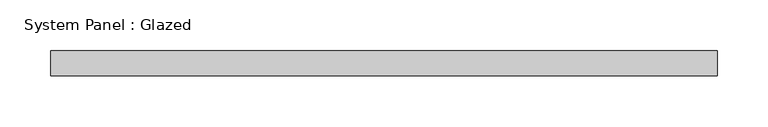
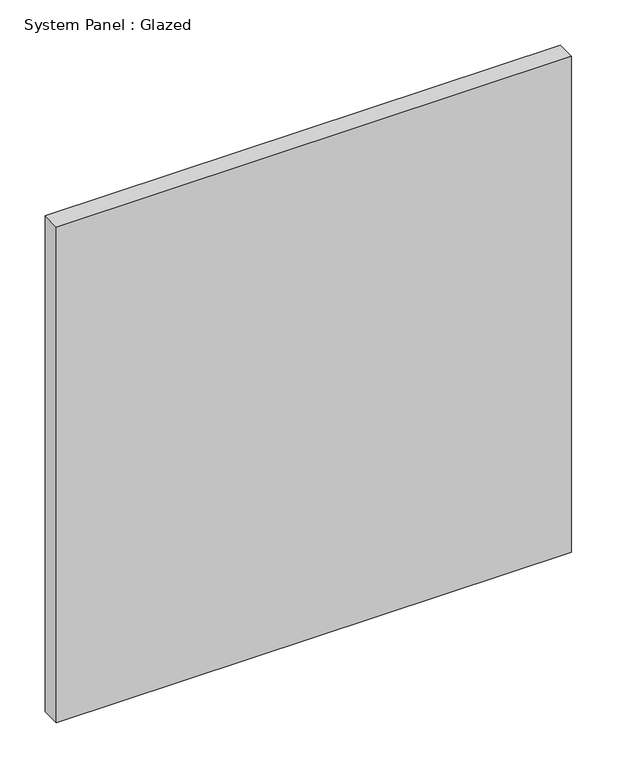
"""IFC4 building model written with IfcOpenShell, lengths in millimetres: plate geometry, System Panel : Glazed."""

from ifc_helpers import new_model, si_unit, origin, origin_with_axes, place, context, project, spatial, polyline, outline, extrude, source, transform, mapped, element, save


def system_panel_glazed_f5638a06(model_context):
    return source(origin(), model_context, "Body", "SweptSolid", [
        extrude(outline(polyline([(329.5, -49.5), (-329.5, -49.5), (-329.5, -24.5), (329.5, -24.5), (329.5, -49.5)])), origin_with_axes(), (0.0, 0.0, 1.0), 670.0),
    ])


if __name__ == "__main__":
    model = new_model("IFC4")
    model_context = context("Model", 3, world=origin())
    ifc_project = project(units=[si_unit("LENGTHUNIT", "METRE", prefix="MILLI")], contexts=[model_context])
    site = spatial("IfcSite", under=ifc_project)
    building = spatial("IfcBuilding", under=site)
    placement = place(None, origin())
    system_panel_glazed_shape = system_panel_glazed_f5638a06(model_context)
    element("IfcPlate", 1, ObjectType="System Panel : Glazed", at=placement, inside=building, context=model_context, shape_type="MappedRepresentation", body=[
        mapped(system_panel_glazed_shape, transform((0.0, 0.0, 0.0), x_axis=(1.0, 0.0, 0.0), y_axis=(0.0, 1.0, 0.0), z_axis=(0.0, 0.0, 1.0))),
    ])
    save(model, "model.ifc")
